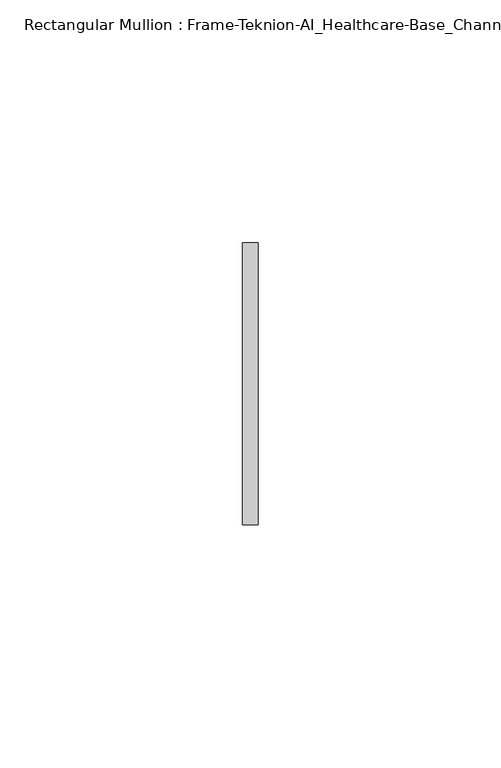
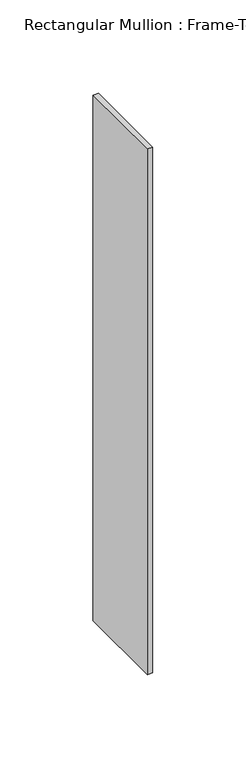
"""IFC4 building model written with IfcOpenShell, lengths in millimetres: member geometry, Rectangular Mullion : Frame-Teknion-AI_Healthcare-Base_Channel."""

from ifc_helpers import new_model, si_unit, frame, origin, place, context, project, spatial, polyline, outline, extrude, source, transform, mapped, element, save


def rectangular_mullion_frame_teknion_ai_healthcare_base_channel_da1542ad(model_context):
    return source(origin(), model_context, "Body", "SweptSolid", [
        extrude(outline(polyline([(0.0, 29.0214844), (0.0, -29.0214844), (-3.175, -29.0214844), (-3.175, 29.0214844), (0.0, 29.0214844)])), frame((0.0, 0.0, -343.5831969), z_axis=(0.0, 0.0, 1.0), x_axis=(1.0, 0.0, 0.0)), (0.0, 0.0, 1.0), 343.5831969),
    ])


if __name__ == "__main__":
    model = new_model("IFC4")
    model_context = context("Model", 3, world=origin())
    ifc_project = project(units=[si_unit("LENGTHUNIT", "METRE", prefix="MILLI")], contexts=[model_context])
    site = spatial("IfcSite", under=ifc_project)
    building = spatial("IfcBuilding", under=site)
    placement = place(None, origin())
    rectangular_mullion_frame_teknion_ai_healthcare_base_channel_shape = rectangular_mullion_frame_teknion_ai_healthcare_base_channel_da1542ad(model_context)
    element("IfcMember", 1, ObjectType="Rectangular Mullion : Frame-Teknion-AI_Healthcare-Base_Channel", at=placement, inside=building, context=model_context, shape_type="MappedRepresentation", body=[
        mapped(rectangular_mullion_frame_teknion_ai_healthcare_base_channel_shape, transform((0.0, 0.0, 0.0), x_axis=(1.0, 0.0, 0.0), y_axis=(0.0, 1.0, 0.0), z_axis=(0.0, 0.0, 1.0))),
    ])
    save(model, "model.ifc")
